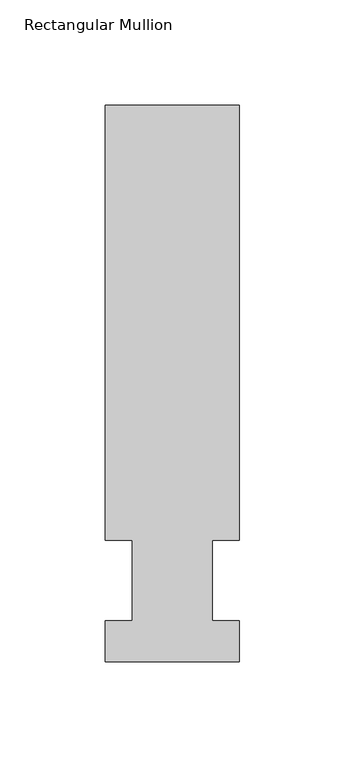
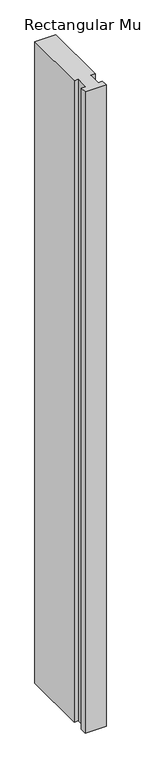
"""IFC4 building model written with IfcOpenShell, lengths in millimetres: member geometry, Rectangular Mullion."""

import ifcopenshell
import ifcopenshell.guid

model = None  # the IFC model being written
_history = None  # IfcOwnerHistory: only IFC2X3 demands one
_inside = {}  # id of a spatial element -> (the spatial element, [elements in it])
_under = {}  # id of a project, library or spatial element -> (it, [spatial elements below it])
_declared = {}  # id of a project -> (the project, [libraries it declares])
_typed = {}  # id of a type object -> (the type object, [elements of that type])
_made_of = {}  # id of a material, layer set ... -> (it, [elements and type objects made of it])


def new_model(schema):
    """Start an empty IFC model of exactly this schema.

    Asked for "IFC4X3", IfcOpenShell would pick the latest addendum, in which some entities
    have other attributes; the version numbers below select the first issue.
    IFC2X3 requires an IfcOwnerHistory on every rooted entity: one is made here for all.
    """
    global model, _history
    if schema == "IFC4X3":
        model = ifcopenshell.file(schema_version=(4, 3, 0, 0))
    else:
        model = ifcopenshell.file(schema=schema)
    _inside.clear()
    _under.clear()
    _declared.clear()
    _typed.clear()
    _made_of.clear()
    _history = None
    if model.schema == "IFC2X3":
        org = make("IfcOrganization", Name="unknown")
        user = make(
            "IfcPersonAndOrganization",
            ThePerson=make("IfcPerson", FamilyName="unknown"),
            TheOrganization=org,
        )
        app = make(
            "IfcApplication",
            ApplicationDeveloper=org,
            Version="unknown",
            ApplicationFullName="unknown",
            ApplicationIdentifier="unknown",
        )
        _history = make(
            "IfcOwnerHistory",
            OwningUser=user,
            OwningApplication=app,
            ChangeAction="ADDED",
            CreationDate=0,
        )
    return model


def make(cls, **values):
    """One entity of the class cls with the attributes given. An attribute that is None is left unset."""
    return model.create_entity(
        cls, **{name: value for name, value in values.items() if value is not None}
    )


def rooted(cls, **values):
    """An entity with a GlobalId (a new one), such as an element, a storey or a relation."""
    return make(cls, GlobalId=ifcopenshell.guid.new(), OwnerHistory=_history, **values)


def si_unit(unit_type, name, prefix=None):
    """IfcSIUnit, for example si_unit("LENGTHUNIT", "METRE", prefix="MILLI")."""
    return make("IfcSIUnit", UnitType=unit_type, Prefix=prefix, Name=name)


def assignment(units):
    """IfcUnitAssignment: the units of a project."""
    return None if units is None else make("IfcUnitAssignment", Units=units)


def point(xyz):
    """IfcCartesianPoint."""
    return None if xyz is None else make("IfcCartesianPoint", Coordinates=xyz)


def direction(xyz):
    """IfcDirection."""
    return None if xyz is None else make("IfcDirection", DirectionRatios=xyz)


def frame(location, z_axis=None, x_axis=None):
    """IfcAxis2Placement3D, a coordinate frame: its origin and axes. An axis left out is left unset."""
    return make(
        "IfcAxis2Placement3D",
        Location=point(location),
        Axis=direction(z_axis),
        RefDirection=direction(x_axis),
    )


def origin():
    """The frame at (0, 0, 0) with its axes left unset."""
    return frame((0.0, 0.0, 0.0))


def place(relative_to, where):
    """IfcLocalPlacement: puts the frame where relative to a parent placement (None: the world)."""
    return make(
        "IfcLocalPlacement", PlacementRelTo=relative_to, RelativePlacement=where
    )


def context(
    kind, dimensions, precision=None, world=None, true_north=None, identifier=None
):
    """IfcGeometricRepresentationContext, for example the 3D "Model" context."""
    return make(
        "IfcGeometricRepresentationContext",
        ContextIdentifier=identifier,
        ContextType=kind,
        CoordinateSpaceDimension=dimensions,
        Precision=precision,
        WorldCoordinateSystem=world,
        TrueNorth=true_north,
    )


def project(units=None, contexts=None):
    """IfcProject with its units and contexts."""
    return rooted(
        "IfcProject",
        Name="project",
        RepresentationContexts=contexts,
        UnitsInContext=assignment(units),
    )


def spatial(cls, under=None, at=None, **own):
    """A site, building, storey or space (cls), placed at a placement, below another one or the project."""
    s = rooted(cls, ObjectPlacement=at, **own)
    if under is not None:
        _under.setdefault(under.id(), (under, []))[1].append(s)
    return s


def polyline(points):
    """IfcPolyline through the points."""
    return make("IfcPolyline", Points=[point(p) for p in points])


def outline(outer, holes=None, kind="AREA"):
    """IfcArbitraryClosedProfileDef: a profile drawn as a closed curve; with holes, ...WithVoids."""
    if holes is None:
        return make("IfcArbitraryClosedProfileDef", ProfileType=kind, OuterCurve=outer)
    return make(
        "IfcArbitraryProfileDefWithVoids",
        ProfileType=kind,
        OuterCurve=outer,
        InnerCurves=holes,
    )


def extrude(swept, where, along, depth):
    """IfcExtrudedAreaSolid: the profile swept, set in the frame where, extruded along a direction by depth."""
    return make(
        "IfcExtrudedAreaSolid",
        SweptArea=swept,
        Position=where,
        ExtrudedDirection=direction(along),
        Depth=depth,
    )


def shape(context_of_items, identifier, shape_type, items):
    """IfcShapeRepresentation: the items that make up one representation, for example the "Body"."""
    return make(
        "IfcShapeRepresentation",
        ContextOfItems=context_of_items,
        RepresentationIdentifier=identifier,
        RepresentationType=shape_type,
        Items=items,
    )


def source(mapping_origin, context_of_items, identifier, shape_type, items):
    """IfcRepresentationMap: a shape defined once, which mapped items show again and again."""
    return make(
        "IfcRepresentationMap",
        MappingOrigin=mapping_origin,
        MappedRepresentation=shape(context_of_items, identifier, shape_type, items),
    )


def transform(
    local_origin,
    x_axis=None,
    y_axis=None,
    z_axis=None,
    scale=None,
    scale2=None,
    scale3=None,
    uniform=True,
):
    """IfcCartesianTransformationOperator3D, or its non-uniform kind. x_axis, y_axis, z_axis: its Axis1, 2, 3."""
    if uniform:
        return make(
            "IfcCartesianTransformationOperator3D",
            Axis1=direction(x_axis),
            Axis2=direction(y_axis),
            LocalOrigin=point(local_origin),
            Scale=scale,
            Axis3=direction(z_axis),
        )
    return make(
        "IfcCartesianTransformationOperator3DnonUniform",
        Axis1=direction(x_axis),
        Axis2=direction(y_axis),
        LocalOrigin=point(local_origin),
        Scale=scale,
        Axis3=direction(z_axis),
        Scale2=scale2,
        Scale3=scale3,
    )


def mapped(mapping_source, mapping_target):
    """IfcMappedItem: shows the shape of a source again, moved by a transform."""
    return make(
        "IfcMappedItem", MappingSource=mapping_source, MappingTarget=mapping_target
    )


def made_of(thing, what):
    """Note that an element or type object is made of a material, layer set ...; save() writes the relation."""
    if what is not None:
        _made_of.setdefault(what.id(), (what, []))[1].append(thing)
    return thing


def element(
    cls,
    number,
    at=None,
    inside=None,
    cuts=None,
    type_object=None,
    material=None,
    context=None,
    identifier="Body",
    shape_type=None,
    held_by="IfcProductDefinitionShape",
    body=None,
    shapes=None,
    **own,
):
    """One element of the class cls, such as IfcWall. Its Tag is "e" and its number.

    at: its placement. inside: the storey or other place that contains it. cuts: it is an
    opening in that element (IfcRelVoidsElement). A single representation is given by context,
    identifier, shape_type and body (its items); several are given by shapes. held_by: the class
    of the entity that holds the representations. save() writes the other relations.
    """
    e = rooted(cls, Tag="e%d" % number, ObjectPlacement=at, **own)
    if body is not None:
        shapes = [shape(context, identifier, shape_type, body)]
    if shapes is not None:
        e.Representation = make(held_by, Representations=shapes)
    if inside is not None:
        _inside.setdefault(inside.id(), (inside, []))[1].append(e)
    if cuts is not None:
        rooted(
            "IfcRelVoidsElement", RelatingBuildingElement=cuts, RelatedOpeningElement=e
        )
    if type_object is not None:
        _typed.setdefault(type_object.id(), (type_object, []))[1].append(e)
    return made_of(e, material)


def aggregate(whole, parts):
    """IfcRelAggregates: a whole, such as a stair, and the parts it consists of."""
    return rooted("IfcRelAggregates", RelatingObject=whole, RelatedObjects=parts)


def save(model, path):
    """Write the relations noted so far, then the file.

    IfcRelAggregates (storeys below a building ...), IfcRelContainedInSpatialStructure (elements
    in a storey), IfcRelDefinesByType, IfcRelAssociatesMaterial and IfcRelDeclares: one each for
    every whole, place, type object, material and project.
    """
    for whole, parts in _under.values():
        aggregate(whole, parts)
    for where, things in _inside.values():
        rooted(
            "IfcRelContainedInSpatialStructure",
            RelatedElements=things,
            RelatingStructure=where,
        )
    for kind, things in _typed.values():
        rooted("IfcRelDefinesByType", RelatedObjects=things, RelatingType=kind)
    for what, things in _made_of.values():
        rooted("IfcRelAssociatesMaterial", RelatedObjects=things, RelatingMaterial=what)
    for by, libraries in _declared.values():
        rooted("IfcRelDeclares", RelatingContext=by, RelatedDefinitions=libraries)
    model.write(path)


def rectangular_mullion_3d446a54(model_context):
    return source(origin(), model_context, "Body", "SweptSolid", [
        extrude(outline(polyline([(-31.75, 264.0210938), (31.75, 264.0210938), (31.75, 57.6460937), (19.05, 57.6460938), (19.05, 19.5460937), (31.75, 19.5460937), (31.75, 0.0134938), (-31.75, 0.0134938), (-31.75, 19.5460937), (-19.05, 19.5460937), (-19.05, 57.6460938), (-31.75, 57.6460938), (-31.75, 264.0210938)])), frame((0.0, 0.0, -2057.4), z_axis=(0.0, 0.0, 1.0), x_axis=(1.0, 0.0, 0.0)), (0.0, 0.0, 1.0), 2057.4),
    ])


if __name__ == "__main__":
    model = new_model("IFC4")
    model_context = context("Model", 3, world=origin())
    ifc_project = project(units=[si_unit("LENGTHUNIT", "METRE", prefix="MILLI")], contexts=[model_context])
    site = spatial("IfcSite", under=ifc_project)
    building = spatial("IfcBuilding", under=site)
    placement = place(None, origin())
    rectangular_mullion_shape = rectangular_mullion_3d446a54(model_context)
    element("IfcMember", 1, ObjectType="Rectangular Mullion", at=placement, inside=building, context=model_context, shape_type="MappedRepresentation", body=[
        mapped(rectangular_mullion_shape, transform((0.0, 0.0, 0.0), x_axis=(1.0, 0.0, 0.0), y_axis=(0.0, 1.0, 0.0), z_axis=(0.0, 0.0, 1.0))),
    ])
    save(model, "model.ifc")
